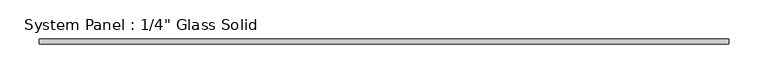
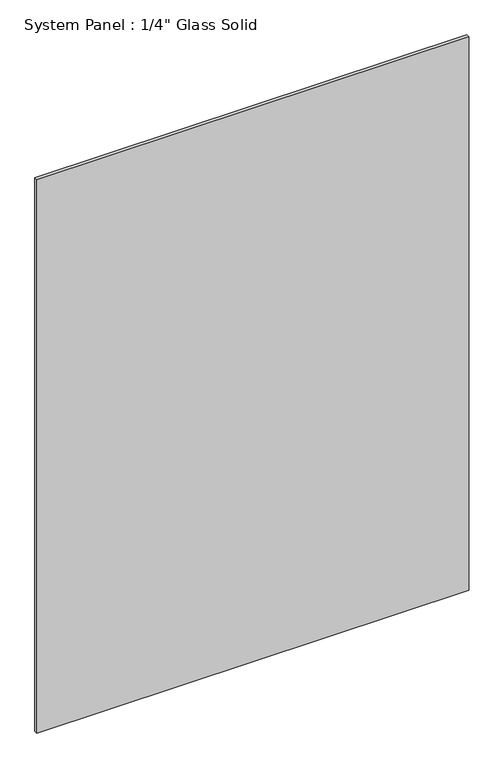
"""IFC4 building model written with IfcOpenShell, lengths in millimetres: plate geometry."""

from ifc_helpers import new_model, si_unit, origin, origin_with_axes, place, context, project, spatial, polyline, outline, extrude, source, transform, mapped, element, save


def plate_9b326741(model_context):
    return source(origin(), model_context, "Body", "SweptSolid", [
        extrude(outline(polyline([(436.5633852, -3.175), (-436.5633852, -3.175), (-436.5633852, 3.175), (436.5633852, 3.175), (436.5633852, -3.175)])), origin_with_axes(), (0.0, 0.0, 1.0), 1182.2594027),
    ])


if __name__ == "__main__":
    model = new_model("IFC4")
    model_context = context("Model", 3, world=origin())
    ifc_project = project(units=[si_unit("LENGTHUNIT", "METRE", prefix="MILLI")], contexts=[model_context])
    site = spatial("IfcSite", under=ifc_project)
    building = spatial("IfcBuilding", under=site)
    placement = place(None, origin())
    plate_shape = plate_9b326741(model_context)
    element("IfcPlate", 1, ObjectType="System Panel : 1/4\" Glass Solid", at=placement, inside=building, context=model_context, shape_type="MappedRepresentation", body=[
        mapped(plate_shape, transform((0.0, 0.0, 0.0), x_axis=(1.0, 0.0, 0.0), y_axis=(0.0, 1.0, 0.0), z_axis=(0.0, 0.0, 1.0))),
    ])
    save(model, "model.ifc")
